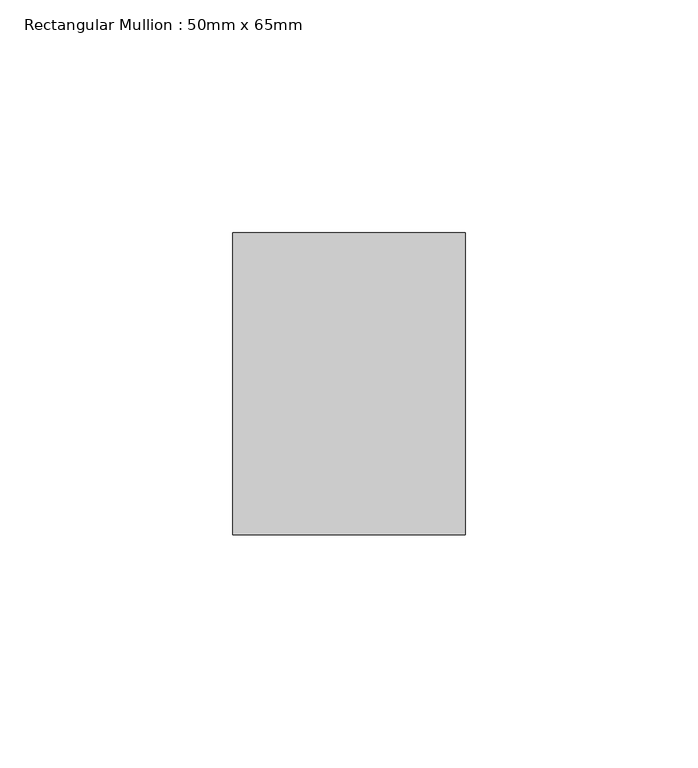
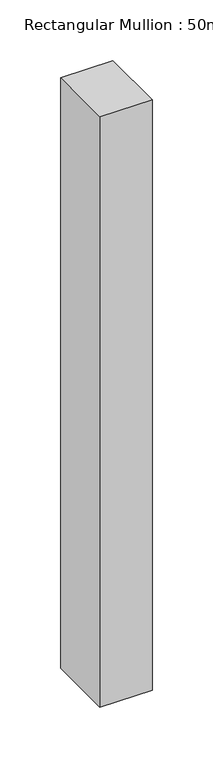
"""IFC4 building model written with IfcOpenShell, lengths in millimetres: member geometry, Rectangular Mullion : 50mm x 65mm."""

from ifc_helpers import new_model, si_unit, frame, origin, place, context, project, spatial, polyline, outline, extrude, source, transform, mapped, element, save


def rectangular_mullion_50mm_x_65mm_6ee4750a(model_context):
    return source(origin(), model_context, "Body", "SweptSolid", [
        extrude(outline(polyline([(25.0, 32.5), (25.0, -32.5), (-25.0, -32.5), (-25.0, 32.5), (25.0, 32.5)])), frame((0.0, 0.0, -595.7756824), z_axis=(0.0, 0.0, 1.0), x_axis=(1.0, 0.0, 0.0)), (0.0, 0.0, 1.0), 595.7756824),
    ])


if __name__ == "__main__":
    model = new_model("IFC4")
    model_context = context("Model", 3, world=origin())
    ifc_project = project(units=[si_unit("LENGTHUNIT", "METRE", prefix="MILLI")], contexts=[model_context])
    site = spatial("IfcSite", under=ifc_project)
    building = spatial("IfcBuilding", under=site)
    placement = place(None, origin())
    rectangular_mullion_50mm_x_65mm_shape = rectangular_mullion_50mm_x_65mm_6ee4750a(model_context)
    element("IfcMember", 1, ObjectType="Rectangular Mullion : 50mm x 65mm", at=placement, inside=building, context=model_context, shape_type="MappedRepresentation", body=[
        mapped(rectangular_mullion_50mm_x_65mm_shape, transform((0.0, 0.0, 0.0), x_axis=(1.0, 0.0, 0.0), y_axis=(0.0, 1.0, 0.0), z_axis=(0.0, 0.0, 1.0))),
    ])
    save(model, "model.ifc")
